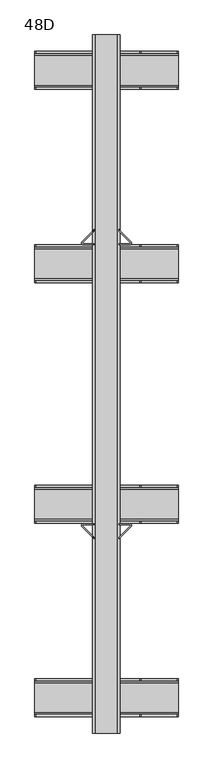
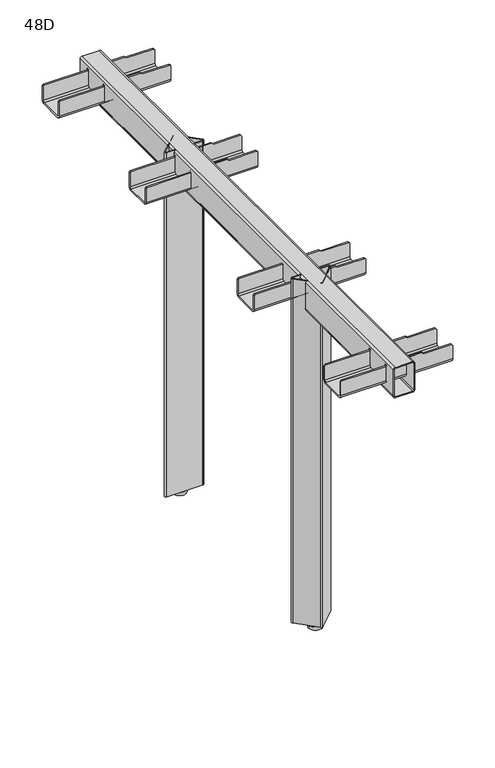
"""IFC4 building model written with IfcOpenShell, lengths in millimetres: furniture geometry, 48D."""

import ifcopenshell
import ifcopenshell.guid

model = None  # the IFC model being written
_history = None  # IfcOwnerHistory: only IFC2X3 demands one
_inside = {}  # id of a spatial element -> (the spatial element, [elements in it])
_under = {}  # id of a project, library or spatial element -> (it, [spatial elements below it])
_declared = {}  # id of a project -> (the project, [libraries it declares])
_typed = {}  # id of a type object -> (the type object, [elements of that type])
_made_of = {}  # id of a material, layer set ... -> (it, [elements and type objects made of it])


def new_model(schema):
    """Start an empty IFC model of exactly this schema.

    Asked for "IFC4X3", IfcOpenShell would pick the latest addendum, in which some entities
    have other attributes; the version numbers below select the first issue.
    IFC2X3 requires an IfcOwnerHistory on every rooted entity: one is made here for all.
    """
    global model, _history
    if schema == "IFC4X3":
        model = ifcopenshell.file(schema_version=(4, 3, 0, 0))
    else:
        model = ifcopenshell.file(schema=schema)
    _inside.clear()
    _under.clear()
    _declared.clear()
    _typed.clear()
    _made_of.clear()
    _history = None
    if model.schema == "IFC2X3":
        org = make("IfcOrganization", Name="unknown")
        user = make(
            "IfcPersonAndOrganization",
            ThePerson=make("IfcPerson", FamilyName="unknown"),
            TheOrganization=org,
        )
        app = make(
            "IfcApplication",
            ApplicationDeveloper=org,
            Version="unknown",
            ApplicationFullName="unknown",
            ApplicationIdentifier="unknown",
        )
        _history = make(
            "IfcOwnerHistory",
            OwningUser=user,
            OwningApplication=app,
            ChangeAction="ADDED",
            CreationDate=0,
        )
    return model


def make(cls, **values):
    """One entity of the class cls with the attributes given. An attribute that is None is left unset."""
    return model.create_entity(
        cls, **{name: value for name, value in values.items() if value is not None}
    )


def rooted(cls, **values):
    """An entity with a GlobalId (a new one), such as an element, a storey or a relation."""
    return make(cls, GlobalId=ifcopenshell.guid.new(), OwnerHistory=_history, **values)


def si_unit(unit_type, name, prefix=None):
    """IfcSIUnit, for example si_unit("LENGTHUNIT", "METRE", prefix="MILLI")."""
    return make("IfcSIUnit", UnitType=unit_type, Prefix=prefix, Name=name)


def assignment(units):
    """IfcUnitAssignment: the units of a project."""
    return None if units is None else make("IfcUnitAssignment", Units=units)


def point(xyz):
    """IfcCartesianPoint."""
    return None if xyz is None else make("IfcCartesianPoint", Coordinates=xyz)


def direction(xyz):
    """IfcDirection."""
    return None if xyz is None else make("IfcDirection", DirectionRatios=xyz)


def frame(location, z_axis=None, x_axis=None):
    """IfcAxis2Placement3D, a coordinate frame: its origin and axes. An axis left out is left unset."""
    return make(
        "IfcAxis2Placement3D",
        Location=point(location),
        Axis=direction(z_axis),
        RefDirection=direction(x_axis),
    )


def frame_2d(location, x_axis=None):
    """IfcAxis2Placement2D, a coordinate frame in the plane: its origin and x axis."""
    return make(
        "IfcAxis2Placement2D", Location=point(location), RefDirection=direction(x_axis)
    )


def origin():
    """The frame at (0, 0, 0) with its axes left unset."""
    return frame((0.0, 0.0, 0.0))


def origin_with_axes():
    """The frame at (0, 0, 0) with the z axis (0, 0, 1) and the x axis (1, 0, 0) written out."""
    return frame((0.0, 0.0, 0.0), z_axis=(0.0, 0.0, 1.0), x_axis=(1.0, 0.0, 0.0))


def place(relative_to, where):
    """IfcLocalPlacement: puts the frame where relative to a parent placement (None: the world)."""
    return make(
        "IfcLocalPlacement", PlacementRelTo=relative_to, RelativePlacement=where
    )


def context(
    kind, dimensions, precision=None, world=None, true_north=None, identifier=None
):
    """IfcGeometricRepresentationContext, for example the 3D "Model" context."""
    return make(
        "IfcGeometricRepresentationContext",
        ContextIdentifier=identifier,
        ContextType=kind,
        CoordinateSpaceDimension=dimensions,
        Precision=precision,
        WorldCoordinateSystem=world,
        TrueNorth=true_north,
    )


def project(units=None, contexts=None):
    """IfcProject with its units and contexts."""
    return rooted(
        "IfcProject",
        Name="project",
        RepresentationContexts=contexts,
        UnitsInContext=assignment(units),
    )


def spatial(cls, under=None, at=None, **own):
    """A site, building, storey or space (cls), placed at a placement, below another one or the project."""
    s = rooted(cls, ObjectPlacement=at, **own)
    if under is not None:
        _under.setdefault(under.id(), (under, []))[1].append(s)
    return s


def polyline(points):
    """IfcPolyline through the points."""
    return make("IfcPolyline", Points=[point(p) for p in points])


def circle_curve(where, radius):
    """IfcCircle in the frame where."""
    return make("IfcCircle", Position=where, Radius=radius)


def trimmed(basis, trim1, trim2, sense, master):
    """IfcTrimmedCurve: the piece of a basis curve between two trims."""
    return make(
        "IfcTrimmedCurve",
        BasisCurve=basis,
        Trim1=trim1,
        Trim2=trim2,
        SenseAgreement=sense,
        MasterRepresentation=master,
    )


def segment(curve, same_sense, transition):
    """IfcCompositeCurveSegment."""
    return make(
        "IfcCompositeCurveSegment",
        Transition=transition,
        SameSense=same_sense,
        ParentCurve=curve,
    )


def composite_curve(segments, self_intersect=None):
    """IfcCompositeCurve: segments joined end to end."""
    return make("IfcCompositeCurve", Segments=segments, SelfIntersect=self_intersect)


def outline(outer, holes=None, kind="AREA"):
    """IfcArbitraryClosedProfileDef: a profile drawn as a closed curve; with holes, ...WithVoids."""
    if holes is None:
        return make("IfcArbitraryClosedProfileDef", ProfileType=kind, OuterCurve=outer)
    return make(
        "IfcArbitraryProfileDefWithVoids",
        ProfileType=kind,
        OuterCurve=outer,
        InnerCurves=holes,
    )


def extrude(swept, where, along, depth):
    """IfcExtrudedAreaSolid: the profile swept, set in the frame where, extruded along a direction by depth."""
    return make(
        "IfcExtrudedAreaSolid",
        SweptArea=swept,
        Position=where,
        ExtrudedDirection=direction(along),
        Depth=depth,
    )


def shape(context_of_items, identifier, shape_type, items):
    """IfcShapeRepresentation: the items that make up one representation, for example the "Body"."""
    return make(
        "IfcShapeRepresentation",
        ContextOfItems=context_of_items,
        RepresentationIdentifier=identifier,
        RepresentationType=shape_type,
        Items=items,
    )


def source(mapping_origin, context_of_items, identifier, shape_type, items):
    """IfcRepresentationMap: a shape defined once, which mapped items show again and again."""
    return make(
        "IfcRepresentationMap",
        MappingOrigin=mapping_origin,
        MappedRepresentation=shape(context_of_items, identifier, shape_type, items),
    )


def transform(
    local_origin,
    x_axis=None,
    y_axis=None,
    z_axis=None,
    scale=None,
    scale2=None,
    scale3=None,
    uniform=True,
):
    """IfcCartesianTransformationOperator3D, or its non-uniform kind. x_axis, y_axis, z_axis: its Axis1, 2, 3."""
    if uniform:
        return make(
            "IfcCartesianTransformationOperator3D",
            Axis1=direction(x_axis),
            Axis2=direction(y_axis),
            LocalOrigin=point(local_origin),
            Scale=scale,
            Axis3=direction(z_axis),
        )
    return make(
        "IfcCartesianTransformationOperator3DnonUniform",
        Axis1=direction(x_axis),
        Axis2=direction(y_axis),
        LocalOrigin=point(local_origin),
        Scale=scale,
        Axis3=direction(z_axis),
        Scale2=scale2,
        Scale3=scale3,
    )


def mapped(mapping_source, mapping_target):
    """IfcMappedItem: shows the shape of a source again, moved by a transform."""
    return make(
        "IfcMappedItem", MappingSource=mapping_source, MappingTarget=mapping_target
    )


def made_of(thing, what):
    """Note that an element or type object is made of a material, layer set ...; save() writes the relation."""
    if what is not None:
        _made_of.setdefault(what.id(), (what, []))[1].append(thing)
    return thing


def element(
    cls,
    number,
    at=None,
    inside=None,
    cuts=None,
    type_object=None,
    material=None,
    context=None,
    identifier="Body",
    shape_type=None,
    held_by="IfcProductDefinitionShape",
    body=None,
    shapes=None,
    **own,
):
    """One element of the class cls, such as IfcWall. Its Tag is "e" and its number.

    at: its placement. inside: the storey or other place that contains it. cuts: it is an
    opening in that element (IfcRelVoidsElement). A single representation is given by context,
    identifier, shape_type and body (its items); several are given by shapes. held_by: the class
    of the entity that holds the representations. save() writes the other relations.
    """
    e = rooted(cls, Tag="e%d" % number, ObjectPlacement=at, **own)
    if body is not None:
        shapes = [shape(context, identifier, shape_type, body)]
    if shapes is not None:
        e.Representation = make(held_by, Representations=shapes)
    if inside is not None:
        _inside.setdefault(inside.id(), (inside, []))[1].append(e)
    if cuts is not None:
        rooted(
            "IfcRelVoidsElement", RelatingBuildingElement=cuts, RelatedOpeningElement=e
        )
    if type_object is not None:
        _typed.setdefault(type_object.id(), (type_object, []))[1].append(e)
    return made_of(e, material)


def aggregate(whole, parts):
    """IfcRelAggregates: a whole, such as a stair, and the parts it consists of."""
    return rooted("IfcRelAggregates", RelatingObject=whole, RelatedObjects=parts)


def save(model, path):
    """Write the relations noted so far, then the file.

    IfcRelAggregates (storeys below a building ...), IfcRelContainedInSpatialStructure (elements
    in a storey), IfcRelDefinesByType, IfcRelAssociatesMaterial and IfcRelDeclares: one each for
    every whole, place, type object, material and project.
    """
    for whole, parts in _under.values():
        aggregate(whole, parts)
    for where, things in _inside.values():
        rooted(
            "IfcRelContainedInSpatialStructure",
            RelatedElements=things,
            RelatingStructure=where,
        )
    for kind, things in _typed.values():
        rooted("IfcRelDefinesByType", RelatedObjects=things, RelatingType=kind)
    for what, things in _made_of.values():
        rooted("IfcRelAssociatesMaterial", RelatedObjects=things, RelatingMaterial=what)
    for by, libraries in _declared.values():
        rooted("IfcRelDeclares", RelatingContext=by, RelatedDefinitions=libraries)
    model.write(path)


def plane_surface(at):
    """IfcPlane: the flat surface through the origin of the frame at, square to its z axis."""
    return make("IfcPlane", Position=at)


def cylinder_surface(at, radius):
    """IfcCylindricalSurface: all points at the distance radius from the z axis of the frame at."""
    return make("IfcCylindricalSurface", Position=at, Radius=radius)


def revolved_surface(curve, axis_point, axis_direction):
    """IfcSurfaceOfRevolution: the curve turned about the line through axis_point along axis_direction."""
    return make(
        "IfcSurfaceOfRevolution",
        SweptCurve=make("IfcArbitraryOpenProfileDef", ProfileType="CURVE", Curve=curve),
        AxisPosition=make("IfcAxis1Placement", Location=point(axis_point), Axis=direction(axis_direction)),
    )


def advanced_brep(points, edges, surfaces, faces):
    """IfcAdvancedBrep: a solid bounded by faces that lie on surfaces and meet in shared edges.

    An edge is (start, end): straight between two places in points (the first is 0);
    or (start, end, curve); or (start, end, curve, False) where it runs against its curve.
    A face is (place in surfaces, loops), or (place, loops, False) where it looks against
    its surface's normal. A loop lists edges by number (the first is 1), with a minus sign
    where the edge is run from its end to its start. The first loop is the outer one.
    """
    corners = [point(p) for p in points]
    vertices = [make("IfcVertexPoint", VertexGeometry=c) for c in corners]
    made = []
    for start, end, *more in edges:
        made.append(
            make(
                "IfcEdgeCurve",
                EdgeStart=vertices[start],
                EdgeEnd=vertices[end],
                EdgeGeometry=more[0] if more else make("IfcPolyline", Points=[corners[start], corners[end]]),
                SameSense=more[1] if len(more) > 1 else True,
            )
        )
    hull = []
    for where, loops, *sense in faces:
        bounds = []
        for j, loop in enumerate(loops):
            ring = [make("IfcOrientedEdge", EdgeElement=made[abs(k) - 1], Orientation=k > 0) for k in loop]
            bounds.append(
                make(
                    "IfcFaceOuterBound" if j == 0 else "IfcFaceBound",
                    Bound=make("IfcEdgeLoop", EdgeList=ring),
                    Orientation=True,
                )
            )
        hull.append(make("IfcAdvancedFace", Bounds=bounds, FaceSurface=surfaces[where], SameSense=sense[0] if sense else True))
    return make("IfcAdvancedBrep", Outer=make("IfcClosedShell", CfsFaces=hull))


def furniture_48d_f07bbc89(model_context):
    return source(origin(), model_context, "Body", "SolidModel", [
        advanced_brep(
        [(104.5, 428.9920946, 652.15), (104.5, 434.9920946, 646.15), (104.5, 477.9920946, 646.15), (104.5, 483.9920946, 652.15), (104.5, 483.9920946, 679.15), (104.5, 480.9920946, 679.15), (104.5, 480.9920946, 652.15), (104.5, 477.9920946, 649.15), (104.5, 434.9920946, 649.15), (104.5, 431.9920946, 652.15), (104.5, 431.9920946, 679.15), (104.5, 428.9920946, 679.15), (-104.5, 431.9920946, 652.15), (-104.5, 434.9920946, 649.15), (-104.5, 477.9920946, 649.15), (-104.5, 480.9920946, 652.15), (-104.5, 480.9920946, 679.15), (-104.5, 483.9920946, 679.15), (-104.5, 483.9920946, 652.15), (-104.5, 477.9920946, 646.15), (-104.5, 434.9920946, 646.15), (-104.5, 428.9920946, 652.15), (-104.5, 428.9920946, 679.15), (-104.5, 431.9920946, 679.15), (47.9765625, 428.9920946, 684.1539062), (47.9765625, 431.9920946, 684.1539062), (-20.0, 431.9920946, 684.1539062), (-20.0, 428.9920946, 684.1539062), (102.5, 428.9920946, 681.15), (50.0, 428.9920946, 681.15), (50.0, 428.9920946, 682.1304687), (-20.0, 428.9920946, 681.15), (-102.5, 428.9920946, 681.15), (-102.5, 483.9920946, 681.15), (-20.0, 483.9920946, 681.15), (-20.0, 483.9920946, 684.1539063), (47.9765625, 483.9920946, 684.1539063), (50.0, 483.9920946, 682.1304687), (50.0, 483.9920946, 681.15), (102.5, 483.9920946, 681.15), (47.9765625, 480.9920946, 684.1539063), (-20.0, 480.9920946, 684.1539063), (102.5, 480.9920946, 681.15), (50.0, 480.9920946, 681.15), (50.0, 480.9920946, 682.1304687), (-20.0, 480.9920946, 681.15), (-102.5, 480.9920946, 681.15), (-102.5, 431.9920946, 681.15), (-20.0, 431.9920946, 681.15), (50.0, 431.9920946, 682.1304687), (50.0, 431.9920946, 681.15), (102.5, 431.9920946, 681.15)],
        [
            (0, 1, circle_curve(frame((104.5, 434.9920946, 652.15), z_axis=(1.0, 0.0, 0.0), x_axis=(0.0, 1.0, 0.0)), 6.0)),
            (1, 2),
            (2, 3, circle_curve(frame((104.5, 477.9920946, 652.15), z_axis=(1.0, 0.0, 0.0), x_axis=(0.0, 1.0, 0.0)), 6.0)),
            (3, 4),
            (4, 5),
            (5, 6),
            (6, 7, circle_curve(frame((104.5, 477.9920946, 652.15), z_axis=(-1.0, 0.0, 0.0), x_axis=(0.0, 1.0, 0.0)), 3.0)),
            (7, 8),
            (8, 9, circle_curve(frame((104.5, 434.9920946, 652.15), z_axis=(-1.0, 0.0, 0.0), x_axis=(0.0, 1.0, 0.0)), 3.0)),
            (9, 10),
            (10, 11),
            (11, 0),
            (12, 13, circle_curve(frame((-104.5, 434.9920946, 652.15), z_axis=(1.0, 0.0, 0.0), x_axis=(0.0, 1.0, 0.0)), 3.0)),
            (13, 14),
            (14, 15, circle_curve(frame((-104.5, 477.9920946, 652.15), z_axis=(1.0, 0.0, 0.0), x_axis=(0.0, 1.0, 0.0)), 3.0)),
            (15, 16),
            (16, 17),
            (17, 18),
            (18, 19, circle_curve(frame((-104.5, 477.9920946, 652.15), z_axis=(-1.0, 0.0, 0.0), x_axis=(0.0, 1.0, 0.0)), 6.0)),
            (19, 20),
            (20, 21, circle_curve(frame((-104.5, 434.9920946, 652.15), z_axis=(-1.0, 0.0, 0.0), x_axis=(0.0, 1.0, 0.0)), 6.0)),
            (21, 22),
            (22, 23),
            (23, 12),
            (24, 25),
            (25, 26),
            (26, 27),
            (27, 24),
            (21, 0),
            (11, 28),
            (28, 29),
            (29, 30),
            (30, 24),
            (27, 31),
            (31, 32),
            (32, 22),
            (20, 1),
            (19, 2),
            (18, 3),
            (17, 33),
            (33, 34),
            (34, 35),
            (35, 36),
            (36, 37),
            (37, 38),
            (38, 39),
            (39, 4),
            (40, 36),
            (35, 41),
            (41, 40),
            (15, 6),
            (5, 42),
            (42, 43),
            (43, 44),
            (44, 40),
            (41, 45),
            (45, 46),
            (46, 16),
            (14, 7),
            (13, 8),
            (12, 9),
            (23, 47),
            (47, 48),
            (48, 26),
            (25, 49),
            (49, 50),
            (50, 51),
            (51, 10),
            (42, 39),
            (38, 43),
            (28, 51),
            (50, 29),
            (37, 44),
            (49, 30),
            (33, 46),
            (45, 34),
            (47, 32),
            (31, 48),
        ],
        [
            plane_surface(frame((104.5, 428.9920946, 684.1539062), z_axis=(1.0, 0.0, 0.0), x_axis=(0.0, -1.0, 0.0))),
            plane_surface(frame((-104.5, 428.9920946, 684.1539062), z_axis=(-1.0, 0.0, 0.0), x_axis=(0.0, 1.0, 0.0))),
            plane_surface(frame((104.5, 431.9920946, 684.1539062), z_axis=(0.0, 0.0, 1.0), x_axis=(-1.0, 0.0, 0.0))),
            plane_surface(frame((104.5, 428.9920946, 684.1539062), z_axis=(0.0, -1.0, 7.87520505701634e-12), x_axis=(-1.0, 0.0, 0.0))),
            cylinder_surface(frame((-104.5, 434.9920946, 652.15), z_axis=(1.0, 0.0, 0.0), x_axis=(0.0, 1.0, 0.0)), 6.0),
            plane_surface(frame((104.5, 434.9920946, 646.15), z_axis=(0.0, 5.9274383850840695e-12, -1.0), x_axis=(-1.0, 0.0, 0.0))),
            cylinder_surface(frame((-104.5, 477.9920946, 652.15), z_axis=(1.0, 0.0, 0.0), x_axis=(0.0, 1.0, 0.0)), 6.0),
            plane_surface(frame((104.5, 483.9920946, 652.15), z_axis=(0.0, 1.0, 0.0), x_axis=(-1.0, 0.0, 0.0))),
            plane_surface(frame((104.5, 483.9920946, 684.1539063), z_axis=(0.0, 0.0, 1.0), x_axis=(-1.0, 0.0, 0.0))),
            plane_surface(frame((104.5, 480.9920946, 684.1539063), z_axis=(0.0, -1.0, 7.890008074041474e-12), x_axis=(-1.0, 0.0, 0.0))),
            revolved_surface(polyline([(-104.5, 480.9920946, 652.15), (104.5, 480.9920946, 652.15)]), (-104.5, 477.9920946, 652.15), (-1.0, 0.0, 0.0)),
            plane_surface(frame((104.5, 477.9920946, 649.15), z_axis=(0.0, -5.870776732969617e-12, 1.0), x_axis=(-1.0, 0.0, 0.0))),
            revolved_surface(polyline([(-104.5, 437.9920946, 652.15), (104.5, 437.9920946, 652.15)]), (-104.5, 434.9920946, 652.15), (-1.0, 0.0, 0.0)),
            plane_surface(frame((104.5, 431.9920946, 652.15), z_axis=(0.0, 1.0, 0.0), x_axis=(-1.0, 0.0, 0.0))),
            plane_surface(frame((102.5, 483.9920946, 681.15), z_axis=(0.0, 0.0, 1.0), x_axis=(0.0, -1.0, 0.0))),
            plane_surface(frame((50.0, 483.9920946, 681.15), z_axis=(1.0, 0.0, 0.0), x_axis=(0.0, -1.0, 0.0))),
            plane_surface(frame((50.0, 483.9920946, 682.1304687), z_axis=(0.7071067811865623, 0.0, 0.7071067811865328), x_axis=(0.0, -1.0, 0.0))),
            plane_surface(frame((104.5, 483.9920946, 679.15), z_axis=(0.7071067811865416, 0.0, 0.7071067811865536), x_axis=(0.0, -1.0, 0.0))),
            plane_surface(frame((-102.5, -483.9918, 681.15), z_axis=(0.0, 0.0, 1.0), x_axis=(0.0, 1.0, 0.0))),
            plane_surface(frame((-104.5, -483.9918, 679.15), z_axis=(-0.7071067811865057, 0.0, 0.7071067811865894), x_axis=(0.0, 1.0, 0.0))),
            plane_surface(frame((-20.0, -483.9918, 681.15), z_axis=(-1.0, 0.0, 0.0), x_axis=(0.0, 1.0, 0.0))),
        ],
        [
            (0, [[1, 2, 3, 4, 5, 6, 7, 8, 9, 10, 11, 12]]),
            (1, [[13, 14, 15, 16, 17, 18, 19, 20, 21, 22, 23, 24]]),
            (2, [[25, 26, 27, 28]]),
            (3, [[29, -12, 30, 31, 32, 33, -28, 34, 35, 36, -22]]),
            (4, [[-1, -29, -21, 37]]),
            (5, [[-2, -37, -20, 38]]),
            (6, [[-3, -38, -19, 39]]),
            (7, [[-39, -18, 40, 41, 42, 43, 44, 45, 46, 47, -4]]),
            (8, [[48, -43, 49, 50]]),
            (9, [[51, -6, 52, 53, 54, 55, -50, 56, 57, 58, -16]]),
            (10, [[-7, -51, -15, 59]]),
            (11, [[-8, -59, -14, 60]]),
            (12, [[-9, -60, -13, 61]]),
            (13, [[-61, -24, 62, 63, 64, -26, 65, 66, 67, 68, -10]]),
            (14, [[69, -46, 70, -53]]),
            (14, [[71, -67, 72, -31]]),
            (15, [[-70, -45, 73, -54]]),
            (15, [[-72, -66, 74, -32]]),
            (16, [[-73, -44, -48, -55]]),
            (16, [[-74, -65, -25, -33]]),
            (17, [[-69, -52, -5, -47]]),
            (17, [[-71, -30, -11, -68]]),
            (18, [[75, -57, 76, -41]]),
            (18, [[77, -35, 78, -63]]),
            (19, [[-75, -40, -17, -58]]),
            (19, [[-77, -62, -23, -36]]),
            (20, [[-76, -56, -49, -42]]),
            (20, [[-78, -34, -27, -64]]),
        ],
    ),
        advanced_brep(
        [(104.5, -483.9918, 652.4753443), (104.5, -477.6664557, 646.15), (104.5, -434.9918, 646.15), (104.5, -428.9918, 652.15), (104.5, -428.9918, 679.15), (104.5, -431.9918, 679.15), (104.5, -431.9918, 651.8246557), (104.5, -434.6664557, 649.15), (104.5, -477.6664557, 649.15), (104.5, -480.9918, 652.4753443), (104.5, -480.9918, 679.15), (104.5, -483.9918, 679.15), (-104.5, -480.9918, 652.4753443), (-104.5, -477.6664557, 649.15), (-104.5, -434.6664557, 649.15), (-104.5, -431.9918, 651.8246557), (-104.5, -431.9918, 679.15), (-104.5, -428.9918, 679.15), (-104.5, -428.9918, 652.15), (-104.5, -434.9918, 646.15), (-104.5, -477.6664557, 646.15), (-104.5, -483.9918, 652.4753443), (-104.5, -483.9918, 679.15), (-104.5, -480.9918, 679.15), (-20.0, -480.9918, 684.1539062), (-20.0, -483.9918, 684.1539062), (47.9765625, -483.9918, 684.1539062), (47.9765625, -480.9918, 684.1539062), (102.5, -483.9918, 681.15), (50.0, -483.9918, 681.15), (50.0, -483.9918, 682.1304688), (-20.0, -483.9918, 681.15), (-102.5, -483.9918, 681.15), (-102.5, -428.9918, 681.15), (-20.0, -428.9918, 681.15), (-20.0, -428.9918, 684.1539063), (47.9765625, -428.9918, 684.1539063), (50.0, -428.9918, 682.1304688), (50.0, -428.9918, 681.15), (102.5, -428.9918, 681.15), (-20.0, -431.9918, 684.1539063), (47.9765625, -431.9918, 684.1539063), (102.5, -431.9918, 681.15), (50.0, -431.9918, 681.15), (50.0, -431.9918, 682.1304688), (-20.0, -431.9918, 681.15), (-102.5, -431.9918, 681.15), (-102.5, -480.9918, 681.15), (-20.0, -480.9918, 681.15), (50.0, -480.9918, 682.1304688), (50.0, -480.9918, 681.15), (102.5, -480.9918, 681.15)],
        [
            (0, 1, circle_curve(frame((104.5, -477.6664557, 652.4753443), z_axis=(1.0, 0.0, 0.0), x_axis=(0.0, 1.0, 0.0)), 6.3253443)),
            (1, 2),
            (2, 3, circle_curve(frame((104.5, -434.9918, 652.15), z_axis=(1.0, 0.0, 0.0), x_axis=(0.0, 1.0, 0.0)), 6.0)),
            (3, 4),
            (4, 5),
            (5, 6),
            (6, 7, circle_curve(frame((104.5, -434.6664557, 651.8246557), z_axis=(-1.0, 0.0, 0.0), x_axis=(0.0, 1.0, 0.0)), 2.6746557)),
            (7, 8),
            (8, 9, circle_curve(frame((104.5, -477.6664557, 652.4753443), z_axis=(-1.0, 0.0, 0.0), x_axis=(0.0, 1.0, 0.0)), 3.3253443)),
            (9, 10),
            (10, 11),
            (11, 0),
            (12, 13, circle_curve(frame((-104.5, -477.6664557, 652.4753443), z_axis=(1.0, 0.0, 0.0), x_axis=(0.0, 1.0, 0.0)), 3.3253443)),
            (13, 14),
            (14, 15, circle_curve(frame((-104.5, -434.6664557, 651.8246557), z_axis=(1.0, 0.0, 0.0), x_axis=(0.0, 1.0, 0.0)), 2.6746557)),
            (15, 16),
            (16, 17),
            (17, 18),
            (18, 19, circle_curve(frame((-104.5, -434.9918, 652.15), z_axis=(-1.0, 0.0, 0.0), x_axis=(0.0, 1.0, 0.0)), 6.0)),
            (19, 20),
            (20, 21, circle_curve(frame((-104.5, -477.6664557, 652.4753443), z_axis=(-1.0, 0.0, 0.0), x_axis=(0.0, 1.0, 0.0)), 6.3253443)),
            (21, 22),
            (22, 23),
            (23, 12),
            (24, 25),
            (25, 26),
            (26, 27),
            (27, 24),
            (21, 0),
            (11, 28),
            (28, 29),
            (29, 30),
            (30, 26),
            (25, 31),
            (31, 32),
            (32, 22),
            (20, 1),
            (19, 2),
            (18, 3),
            (17, 33),
            (33, 34),
            (34, 35),
            (35, 36),
            (36, 37),
            (37, 38),
            (38, 39),
            (39, 4),
            (35, 40),
            (40, 41),
            (41, 36),
            (15, 6),
            (5, 42),
            (42, 43),
            (43, 44),
            (44, 41),
            (40, 45),
            (45, 46),
            (46, 16),
            (14, 7),
            (13, 8),
            (12, 9),
            (23, 47),
            (47, 48),
            (48, 24),
            (27, 49),
            (49, 50),
            (50, 51),
            (51, 10),
            (33, 46),
            (45, 34),
            (47, 32),
            (31, 48),
            (42, 39),
            (38, 43),
            (28, 51),
            (50, 29),
            (37, 44),
            (49, 30),
        ],
        [
            plane_surface(frame((104.5, -483.9918, 684.1539062), z_axis=(1.0, 0.0, 0.0), x_axis=(0.0, -1.0, 0.0))),
            plane_surface(frame((-104.5, -483.9918, 684.1539062), z_axis=(-1.0, 0.0, 0.0), x_axis=(0.0, 1.0, 0.0))),
            plane_surface(frame((104.5, -480.9918, 684.1539062), z_axis=(0.0, 0.0, 1.0), x_axis=(-1.0, 0.0, 0.0))),
            plane_surface(frame((104.5, -483.9918, 684.1539062), z_axis=(0.0, -1.0, 0.0), x_axis=(-1.0, 0.0, 0.0))),
            cylinder_surface(frame((-104.5, -477.6664557, 652.4753443), z_axis=(1.0, 0.0, 0.0), x_axis=(0.0, 1.0, 0.0)), 6.3253443),
            plane_surface(frame((104.5, -477.6664557, 646.15), z_axis=(0.0, 2.9942437519374595e-12, -1.0), x_axis=(-1.0, 0.0, 0.0))),
            cylinder_surface(frame((-104.5, -434.9918, 652.15), z_axis=(1.0, 0.0, 0.0), x_axis=(0.0, 1.0, 0.0)), 6.0),
            plane_surface(frame((104.5, -428.9918, 652.15), z_axis=(0.0, 1.0, 0.0), x_axis=(-1.0, 0.0, 0.0))),
            plane_surface(frame((104.5, -428.9918, 684.1539063), z_axis=(0.0, 0.0, 1.0), x_axis=(-1.0, 0.0, 0.0))),
            plane_surface(frame((104.5, -431.9918, 684.1539063), z_axis=(0.0, -1.0, 3.950312486969115e-12), x_axis=(-1.0, 0.0, 0.0))),
            revolved_surface(polyline([(-104.5, -431.99179999999996, 651.8246557), (104.5, -431.99179999999996, 651.8246557)]), (-104.5, -434.6664557, 651.8246557), (-1.0, 0.0, 0.0)),
            plane_surface(frame((104.5, -434.6664557, 649.15), z_axis=(0.0, 0.0, 1.0), x_axis=(-1.0, 0.0, 0.0))),
            revolved_surface(polyline([(-104.5, -474.3411114, 652.4753443), (104.5, -474.3411114, 652.4753443)]), (-104.5, -477.6664557, 652.4753443), (-1.0, 0.0, 0.0)),
            plane_surface(frame((104.5, -480.9918, 652.4753443), z_axis=(0.0, 1.0, 0.0), x_axis=(-1.0, 0.0, 0.0))),
            plane_surface(frame((-102.5, -483.9918, 681.15), z_axis=(0.0, 0.0, 1.0), x_axis=(0.0, 1.0, 0.0))),
            plane_surface(frame((-104.5, -483.9918, 679.15), z_axis=(-0.7071067811865057, 0.0, 0.7071067811865894), x_axis=(0.0, 1.0, 0.0))),
            plane_surface(frame((-20.0, -483.9918, 681.15), z_axis=(-1.0, 0.0, 0.0), x_axis=(0.0, 1.0, 0.0))),
            plane_surface(frame((102.5, 483.9920946, 681.15), z_axis=(0.0, 0.0, 1.0), x_axis=(0.0, -1.0, 0.0))),
            plane_surface(frame((50.0, 483.9920946, 681.15), z_axis=(1.0, 0.0, 0.0), x_axis=(0.0, -1.0, 0.0))),
            plane_surface(frame((50.0, 483.9920946, 682.1304687), z_axis=(0.7071067811865623, 0.0, 0.7071067811865328), x_axis=(0.0, -1.0, 0.0))),
            plane_surface(frame((104.5, 483.9920946, 679.15), z_axis=(0.7071067811865416, 0.0, 0.7071067811865536), x_axis=(0.0, -1.0, 0.0))),
        ],
        [
            (0, [[1, 2, 3, 4, 5, 6, 7, 8, 9, 10, 11, 12]]),
            (1, [[13, 14, 15, 16, 17, 18, 19, 20, 21, 22, 23, 24]]),
            (2, [[25, 26, 27, 28]]),
            (3, [[29, -12, 30, 31, 32, 33, -26, 34, 35, 36, -22]]),
            (4, [[-1, -29, -21, 37]]),
            (5, [[-2, -37, -20, 38]]),
            (6, [[-3, -38, -19, 39]]),
            (7, [[-39, -18, 40, 41, 42, 43, 44, 45, 46, 47, -4]]),
            (8, [[48, 49, 50, -43]]),
            (9, [[51, -6, 52, 53, 54, 55, -49, 56, 57, 58, -16]]),
            (10, [[-7, -51, -15, 59]]),
            (11, [[-8, -59, -14, 60]]),
            (12, [[-9, -60, -13, 61]]),
            (13, [[-61, -24, 62, 63, 64, -28, 65, 66, 67, 68, -10]]),
            (14, [[69, -57, 70, -41]]),
            (14, [[71, -35, 72, -63]]),
            (15, [[-69, -40, -17, -58]]),
            (15, [[-71, -62, -23, -36]]),
            (16, [[-70, -56, -48, -42]]),
            (16, [[-72, -34, -25, -64]]),
            (17, [[73, -46, 74, -53]]),
            (17, [[75, -67, 76, -31]]),
            (18, [[-74, -45, 77, -54]]),
            (18, [[-76, -66, 78, -32]]),
            (19, [[-77, -44, -50, -55]]),
            (19, [[-78, -65, -27, -33]]),
            (20, [[-73, -52, -5, -47]]),
            (20, [[-75, -30, -11, -68]]),
        ],
    ),
        extrude(outline(composite_curve([segment(polyline([(688.15, -20.0), (636.15, -20.0)]), True, "CONTINUOUS"), segment(trimmed(circle_curve(frame_2d((636.15, -16.0)), 4.0), [point((636.15, -20.0))], [point((632.15, -16.0))], False, "CARTESIAN"), True, "CONTINUOUS"), segment(polyline([(632.15, -16.0), (632.15, 16.0)]), True, "CONTINUOUS"), segment(trimmed(circle_curve(frame_2d((636.15, 16.0)), 4.0), [point((632.15, 16.0))], [point((636.15, 20.0))], False, "CARTESIAN"), True, "CONTINUOUS"), segment(polyline([(636.15, 20.0), (688.15, 20.0)]), True, "CONTINUOUS"), segment(trimmed(circle_curve(frame_2d((688.15, 16.0)), 4.0), [point((688.15, 20.0))], [point((692.15, 16.0))], False, "CARTESIAN"), True, "CONTINUOUS"), segment(polyline([(692.15, 16.0), (692.15, -16.0)]), True, "CONTINUOUS"), segment(trimmed(circle_curve(frame_2d((688.15, -16.0)), 4.0), [point((692.15, -16.0))], [point((688.15, -20.0))], False, "CARTESIAN"), True, "CONTINUOUS")], self_intersect=False), holes=[composite_curve([segment(polyline([(636.15, -18.0), (688.15, -18.0)]), True, "CONTINUOUS"), segment(trimmed(circle_curve(frame_2d((688.15, -16.0)), 2.0), [point((688.15, -18.0))], [point((690.15, -16.0))], True, "CARTESIAN"), True, "CONTINUOUS"), segment(polyline([(690.15, -16.0), (690.15, 16.0)]), True, "CONTINUOUS"), segment(trimmed(circle_curve(frame_2d((688.15, 16.0)), 2.0), [point((690.15, 16.0))], [point((688.15, 18.0))], True, "CARTESIAN"), True, "CONTINUOUS"), segment(polyline([(688.15, 18.0), (636.15, 18.0)]), True, "CONTINUOUS"), segment(trimmed(circle_curve(frame_2d((636.15, 16.0)), 2.0), [point((636.15, 18.0))], [point((634.15, 16.0))], True, "CARTESIAN"), True, "CONTINUOUS"), segment(polyline([(634.15, 16.0), (634.15, -16.0)]), True, "CONTINUOUS"), segment(trimmed(circle_curve(frame_2d((636.15, -16.0)), 2.0), [point((634.15, -16.0))], [point((636.15, -18.0))], True, "CARTESIAN"), True, "CONTINUOUS")], self_intersect=False)]), frame((0.0, -507.944, 0.0), z_axis=(0.0, 1.0, 0.0), x_axis=(0.0, 0.0, 1.0)), (0.0, 0.0, 1.0), 1015.8882946),
        advanced_brep(
        [(104.5, -202.5, 652.15), (104.5, -196.5, 646.15), (104.5, -153.5, 646.15), (104.5, -147.5, 652.15), (104.5, -147.5, 679.15), (104.5, -150.5, 679.15), (104.5, -150.5, 652.15), (104.5, -153.5, 649.15), (104.5, -196.5, 649.15), (104.5, -199.5, 652.15), (104.5, -199.5, 679.15), (104.5, -202.5, 679.15), (-104.5, -199.5, 652.15), (-104.5, -196.5, 649.15), (-104.5, -153.5, 649.15), (-104.5, -150.5, 652.15), (-104.5, -150.5, 679.15), (-104.5, -147.5, 679.15), (-104.5, -147.5, 652.15), (-104.5, -153.5, 646.15), (-104.5, -196.5, 646.15), (-104.5, -202.5, 652.15), (-104.5, -202.5, 679.15), (-104.5, -199.5, 679.15), (47.9765625, -202.5, 684.1539063), (47.9765625, -199.5, 684.1539063), (-20.0, -199.5, 684.1539063), (-20.0, -202.5, 684.1539063), (102.5, -202.5, 681.15), (50.0, -202.5, 681.15), (50.0, -202.5, 682.1304688), (-20.0, -202.5, 681.15), (-102.5, -202.5, 681.15), (-102.5, -147.5, 681.15), (-20.0, -147.5, 681.15), (-20.0, -147.5, 684.1539062), (47.9765625, -147.5, 684.1539062), (50.0, -147.5, 682.1304688), (50.0, -147.5, 681.15), (102.5, -147.5, 681.15), (47.9765625, -150.5, 684.1539062), (-20.0, -150.5, 684.1539062), (102.5, -150.5, 681.15), (50.0, -150.5, 681.15), (50.0, -150.5, 682.1304688), (-20.0, -150.5, 681.15), (-102.5, -150.5, 681.15), (-102.5, -199.5, 681.15), (-20.0, -199.5, 681.15), (50.0, -199.5, 682.1304688), (50.0, -199.5, 681.15), (102.5, -199.5, 681.15)],
        [
            (0, 1, circle_curve(frame((104.5, -196.5, 652.15), z_axis=(1.0, 0.0, 0.0), x_axis=(0.0, 1.0, 0.0)), 6.0)),
            (1, 2),
            (2, 3, circle_curve(frame((104.5, -153.5, 652.15), z_axis=(1.0, 0.0, 0.0), x_axis=(0.0, 1.0, 0.0)), 6.0)),
            (3, 4),
            (4, 5),
            (5, 6),
            (6, 7, circle_curve(frame((104.5, -153.5, 652.15), z_axis=(-1.0, 0.0, 0.0), x_axis=(0.0, 1.0, 0.0)), 3.0)),
            (7, 8),
            (8, 9, circle_curve(frame((104.5, -196.5, 652.15), z_axis=(-1.0, 0.0, 0.0), x_axis=(0.0, 1.0, 0.0)), 3.0)),
            (9, 10),
            (10, 11),
            (11, 0),
            (12, 13, circle_curve(frame((-104.5, -196.5, 652.15), z_axis=(1.0, 0.0, 0.0), x_axis=(0.0, 1.0, 0.0)), 3.0)),
            (13, 14),
            (14, 15, circle_curve(frame((-104.5, -153.5, 652.15), z_axis=(1.0, 0.0, 0.0), x_axis=(0.0, 1.0, 0.0)), 3.0)),
            (15, 16),
            (16, 17),
            (17, 18),
            (18, 19, circle_curve(frame((-104.5, -153.5, 652.15), z_axis=(-1.0, 0.0, 0.0), x_axis=(0.0, 1.0, 0.0)), 6.0)),
            (19, 20),
            (20, 21, circle_curve(frame((-104.5, -196.5, 652.15), z_axis=(-1.0, 0.0, 0.0), x_axis=(0.0, 1.0, 0.0)), 6.0)),
            (21, 22),
            (22, 23),
            (23, 12),
            (24, 25),
            (25, 26),
            (26, 27),
            (27, 24),
            (21, 0),
            (11, 28),
            (28, 29),
            (29, 30),
            (30, 24),
            (27, 31),
            (31, 32),
            (32, 22),
            (20, 1),
            (19, 2),
            (18, 3),
            (17, 33),
            (33, 34),
            (34, 35),
            (35, 36),
            (36, 37),
            (37, 38),
            (38, 39),
            (39, 4),
            (40, 36),
            (35, 41),
            (41, 40),
            (15, 6),
            (5, 42),
            (42, 43),
            (43, 44),
            (44, 40),
            (41, 45),
            (45, 46),
            (46, 16),
            (14, 7),
            (13, 8),
            (12, 9),
            (23, 47),
            (47, 48),
            (48, 26),
            (25, 49),
            (49, 50),
            (50, 51),
            (51, 10),
            (42, 39),
            (38, 43),
            (28, 51),
            (50, 29),
            (37, 44),
            (49, 30),
            (33, 46),
            (45, 34),
            (47, 32),
            (31, 48),
        ],
        [
            plane_surface(frame((104.5, -202.5, 684.1539063), z_axis=(1.0, 0.0, 0.0), x_axis=(0.0, -1.0, 0.0))),
            plane_surface(frame((-104.5, -202.5, 684.1539063), z_axis=(-1.0, 0.0, 0.0), x_axis=(0.0, 1.0, 0.0))),
            plane_surface(frame((104.5, -199.5, 684.1539063), z_axis=(0.0, 0.0, 1.0), x_axis=(-1.0, 0.0, 0.0))),
            plane_surface(frame((104.5, -202.5, 684.1539063), z_axis=(0.0, -1.0, -5.978304161168426e-12), x_axis=(-1.0, 0.0, 0.0))),
            cylinder_surface(frame((-104.5, -196.5, 652.15), z_axis=(1.0, 0.0, 0.0), x_axis=(0.0, 1.0, 0.0)), 6.0),
            plane_surface(frame((104.5, -196.5, 646.15), z_axis=(0.0, -4.394425908431922e-12, -1.0), x_axis=(-1.0, 0.0, 0.0))),
            cylinder_surface(frame((-104.5, -153.5, 652.15), z_axis=(1.0, 0.0, 0.0), x_axis=(0.0, 1.0, 0.0)), 6.0),
            plane_surface(frame((104.5, -147.5, 652.15), z_axis=(0.0, 1.0, 0.0), x_axis=(-1.0, 0.0, 0.0))),
            plane_surface(frame((104.5, -147.5, 684.1539062), z_axis=(0.0, 0.0, 1.0), x_axis=(-1.0, 0.0, 0.0))),
            plane_surface(frame((104.5, -150.5, 684.1539062), z_axis=(0.0, -1.0, -5.9709026526534636e-12), x_axis=(-1.0, 0.0, 0.0))),
            revolved_surface(polyline([(-104.5, -150.5, 652.15), (104.5, -150.5, 652.15)]), (-104.5, -153.5, 652.15), (-1.0, 0.0, 0.0)),
            plane_surface(frame((104.5, -153.5, 649.15), z_axis=(0.0, 4.438496082298718e-12, 1.0), x_axis=(-1.0, 0.0, 0.0))),
            revolved_surface(polyline([(-104.5, -193.5, 652.15), (104.5, -193.5, 652.15)]), (-104.5, -196.5, 652.15), (-1.0, 0.0, 0.0)),
            plane_surface(frame((104.5, -199.5, 652.15), z_axis=(0.0, 1.0, 0.0), x_axis=(-1.0, 0.0, 0.0))),
            plane_surface(frame((102.5, 483.9920946, 681.15), z_axis=(0.0, 0.0, 1.0), x_axis=(0.0, -1.0, 0.0))),
            plane_surface(frame((50.0, 483.9920946, 681.15), z_axis=(1.0, 0.0, 0.0), x_axis=(0.0, -1.0, 0.0))),
            plane_surface(frame((50.0, 483.9920946, 682.1304687), z_axis=(0.7071067811865623, 0.0, 0.7071067811865328), x_axis=(0.0, -1.0, 0.0))),
            plane_surface(frame((104.5, 483.9920946, 679.15), z_axis=(0.7071067811865416, 0.0, 0.7071067811865536), x_axis=(0.0, -1.0, 0.0))),
            plane_surface(frame((-102.5, -483.9918, 681.15), z_axis=(0.0, 0.0, 1.0), x_axis=(0.0, 1.0, 0.0))),
            plane_surface(frame((-104.5, -483.9918, 679.15), z_axis=(-0.7071067811865057, 0.0, 0.7071067811865894), x_axis=(0.0, 1.0, 0.0))),
            plane_surface(frame((-20.0, -483.9918, 681.15), z_axis=(-1.0, 0.0, 0.0), x_axis=(0.0, 1.0, 0.0))),
        ],
        [
            (0, [[1, 2, 3, 4, 5, 6, 7, 8, 9, 10, 11, 12]]),
            (1, [[13, 14, 15, 16, 17, 18, 19, 20, 21, 22, 23, 24]]),
            (2, [[25, 26, 27, 28]]),
            (3, [[29, -12, 30, 31, 32, 33, -28, 34, 35, 36, -22]]),
            (4, [[-1, -29, -21, 37]]),
            (5, [[-2, -37, -20, 38]]),
            (6, [[-3, -38, -19, 39]]),
            (7, [[-39, -18, 40, 41, 42, 43, 44, 45, 46, 47, -4]]),
            (8, [[48, -43, 49, 50]]),
            (9, [[51, -6, 52, 53, 54, 55, -50, 56, 57, 58, -16]]),
            (10, [[-7, -51, -15, 59]]),
            (11, [[-8, -59, -14, 60]]),
            (12, [[-9, -60, -13, 61]]),
            (13, [[-61, -24, 62, 63, 64, -26, 65, 66, 67, 68, -10]]),
            (14, [[69, -46, 70, -53]]),
            (14, [[71, -67, 72, -31]]),
            (15, [[-70, -45, 73, -54]]),
            (15, [[-72, -66, 74, -32]]),
            (16, [[-73, -44, -48, -55]]),
            (16, [[-74, -65, -25, -33]]),
            (17, [[-69, -52, -5, -47]]),
            (17, [[-71, -30, -11, -68]]),
            (18, [[75, -57, 76, -41]]),
            (18, [[77, -35, 78, -63]]),
            (19, [[-75, -40, -17, -58]]),
            (19, [[-77, -62, -23, -36]]),
            (20, [[-76, -56, -49, -42]]),
            (20, [[-78, -34, -27, -64]]),
        ],
    ),
        extrude(outline(composite_curve([segment(trimmed(circle_curve(frame_2d((33.6918973, 205.278606)), 2.6789062), [point((35.58617, 207.1728788))], [point((33.6918973, 202.5996997))], False, "CARTESIAN"), True, "CONTINUOUS"), segment(polyline([(33.6918973, 202.5996997), (-33.6926099, 202.5996997)]), True, "CONTINUOUS"), segment(trimmed(circle_curve(frame_2d((-33.6926099, 205.278606)), 2.6789063), [point((-33.6926099, 202.5996997))], [point((-35.5868827, 207.1728788))], False, "CARTESIAN"), True, "CONTINUOUS"), segment(polyline([(-35.5868827, 207.1728788), (-1.8946291, 240.8651323)]), True, "CONTINUOUS"), segment(trimmed(circle_curve(frame_2d((-0.0003563, 238.9708596)), 2.6789063), [point((-1.8946291, 240.8651323))], [point((1.8939165, 240.8651323))], False, "CARTESIAN"), True, "CONTINUOUS"), segment(polyline([(1.8939165, 240.8651323), (35.58617, 207.1728788)]), True, "CONTINUOUS")], self_intersect=False), holes=[composite_curve([segment(polyline([(34.183005, 205.7697137), (0.4907514, 239.4619673)]), True, "CONTINUOUS"), segment(trimmed(circle_curve(frame_2d((-0.0003563, 238.9708596)), 0.6945312), [point((0.4907514, 239.4619673))], [point((-0.4914641, 239.4619673))], True, "CARTESIAN"), True, "CONTINUOUS"), segment(polyline([(-0.4914641, 239.4619673), (-34.1837176, 205.7697137)]), True, "CONTINUOUS"), segment(trimmed(circle_curve(frame_2d((-33.6926099, 205.278606)), 0.6945313), [point((-34.1837176, 205.7697137))], [point((-33.6926099, 204.5840747))], True, "CARTESIAN"), True, "CONTINUOUS"), segment(polyline([(-33.6926099, 204.5840747), (33.6918973, 204.5840747)]), True, "CONTINUOUS"), segment(trimmed(circle_curve(frame_2d((33.6918973, 205.278606)), 0.6945313), [point((33.6918973, 204.5840747))], [point((34.183005, 205.7697137))], True, "CARTESIAN"), True, "CONTINUOUS")], self_intersect=False)]), frame((0.0, 0.0, 11.0), z_axis=(0.0, 0.0, 1.0), x_axis=(1.0, 0.0, 0.0)), (0.0, 0.0, 1.0), 681.15),
        extrude(outline(composite_curve([segment(trimmed(circle_curve(frame_2d((0.0935578, -219.9342125)), 8.2529367), [point((-8.1593789, -219.9342125))], [point((8.3464945, -219.9342125))], False, "CARTESIAN"), True, "CONTINUOUS"), segment(trimmed(circle_curve(frame_2d((0.0935578, -219.9342125)), 8.2529367), [point((8.3464945, -219.9342125))], [point((-8.1593789, -219.9342125))], False, "CARTESIAN"), True, "CONTINUOUS")], self_intersect=False)), frame((0.0, 0.0, 6.5), z_axis=(0.0, 0.0, 1.0), x_axis=(1.0, 0.0, 0.0)), (0.0, 0.0, 1.0), 4.5),
        extrude(outline(composite_curve([segment(trimmed(circle_curve(frame_2d((0.0913067, -219.9342125)), 12.5869389), [point((-12.4956322, -219.9342125))], [point((12.6782456, -219.9342125))], False, "CARTESIAN"), True, "CONTINUOUS"), segment(trimmed(circle_curve(frame_2d((0.0913067, -219.9342125)), 12.5869389), [point((12.6782456, -219.9342125))], [point((-12.4956322, -219.9342125))], False, "CARTESIAN"), True, "CONTINUOUS")], self_intersect=False)), origin_with_axes(), (0.0, 0.0, 1.0), 6.5),
        extrude(outline(composite_curve([segment(trimmed(circle_curve(frame_2d((0.0580112, 220.0396517)), 8.2529367), [point((-8.1949255, 220.0396517))], [point((8.3109479, 220.0396517))], False, "CARTESIAN"), True, "CONTINUOUS"), segment(trimmed(circle_curve(frame_2d((0.0580112, 220.0396517)), 8.2529367), [point((8.3109479, 220.0396517))], [point((-8.1949255, 220.0396517))], False, "CARTESIAN"), True, "CONTINUOUS")], self_intersect=False)), frame((0.0, 0.0, 6.5), z_axis=(0.0, 0.0, 1.0), x_axis=(1.0, 0.0, 0.0)), (0.0, 0.0, 1.0), 4.5),
        extrude(outline(composite_curve([segment(trimmed(circle_curve(frame_2d((0.0557601, 220.0396517)), 12.5869389), [point((-12.5311788, 220.0396517))], [point((12.642699, 220.0396517))], False, "CARTESIAN"), True, "CONTINUOUS"), segment(trimmed(circle_curve(frame_2d((0.0557601, 220.0396517)), 12.5869389), [point((12.642699, 220.0396517))], [point((-12.5311788, 220.0396517))], False, "CARTESIAN"), True, "CONTINUOUS")], self_intersect=False)), origin_with_axes(), (0.0, 0.0, 1.0), 6.5),
        advanced_brep(
        [(104.5, 147.5, 652.15), (104.5, 153.5, 646.15), (104.5, 196.5002946, 646.15), (104.5, 202.5002946, 652.15), (104.5, 202.5002946, 679.15), (104.5, 199.5002946, 679.15), (104.5, 199.5002946, 652.15), (104.5, 196.5002946, 649.15), (104.5, 153.5, 649.15), (104.5, 150.5, 652.15), (104.5, 150.5, 679.15), (104.5, 147.5, 679.15), (-104.5, 150.5, 652.15), (-104.5, 153.5, 649.15), (-104.5, 196.5002946, 649.15), (-104.5, 199.5002946, 652.15), (-104.5, 199.5002946, 679.15), (-104.5, 202.5002946, 679.15), (-104.5, 202.5002946, 652.15), (-104.5, 196.5002946, 646.15), (-104.5, 153.5, 646.15), (-104.5, 147.5, 652.15), (-104.5, 147.5, 679.15), (-104.5, 150.5, 679.15), (47.9765625, 147.5, 684.1539063), (47.9765625, 150.5, 684.1539063), (-20.0, 150.5, 684.1539063), (-20.0, 147.5, 684.1539063), (102.5, 147.5, 681.15), (50.0, 147.5, 681.15), (50.0, 147.5, 682.1304687), (-20.0, 147.5, 681.15), (-102.5, 147.5, 681.15), (-102.5, 202.5002946, 681.15), (-20.0, 202.5002946, 681.15), (-20.0, 202.5002946, 684.1539062), (47.9765625, 202.5002946, 684.1539062), (50.0, 202.5002946, 682.1304687), (50.0, 202.5002946, 681.15), (102.5, 202.5002946, 681.15), (47.9765625, 199.5002946, 684.1539062), (-20.0, 199.5002946, 684.1539062), (102.5, 199.5002946, 681.15), (50.0, 199.5002946, 681.15), (50.0, 199.5002946, 682.1304687), (-20.0, 199.5002946, 681.15), (-102.5, 199.5002946, 681.15), (-102.5, 150.5, 681.15), (-20.0, 150.5, 681.15), (50.0, 150.5, 682.1304687), (50.0, 150.5, 681.15), (102.5, 150.5, 681.15)],
        [
            (0, 1, circle_curve(frame((104.5, 153.5, 652.15), z_axis=(1.0, 0.0, 0.0), x_axis=(0.0, 1.0, 0.0)), 6.0)),
            (1, 2),
            (2, 3, circle_curve(frame((104.5, 196.5002946, 652.15), z_axis=(1.0, 0.0, 0.0), x_axis=(0.0, 1.0, 0.0)), 6.0)),
            (3, 4),
            (4, 5),
            (5, 6),
            (6, 7, circle_curve(frame((104.5, 196.5002946, 652.15), z_axis=(-1.0, 0.0, 0.0), x_axis=(0.0, 1.0, 0.0)), 3.0)),
            (7, 8),
            (8, 9, circle_curve(frame((104.5, 153.5, 652.15), z_axis=(-1.0, 0.0, 0.0), x_axis=(0.0, 1.0, 0.0)), 3.0)),
            (9, 10),
            (10, 11),
            (11, 0),
            (12, 13, circle_curve(frame((-104.5, 153.5, 652.15), z_axis=(1.0, 0.0, 0.0), x_axis=(0.0, 1.0, 0.0)), 3.0)),
            (13, 14),
            (14, 15, circle_curve(frame((-104.5, 196.5002946, 652.15), z_axis=(1.0, 0.0, 0.0), x_axis=(0.0, 1.0, 0.0)), 3.0)),
            (15, 16),
            (16, 17),
            (17, 18),
            (18, 19, circle_curve(frame((-104.5, 196.5002946, 652.15), z_axis=(-1.0, 0.0, 0.0), x_axis=(0.0, 1.0, 0.0)), 6.0)),
            (19, 20),
            (20, 21, circle_curve(frame((-104.5, 153.5, 652.15), z_axis=(-1.0, 0.0, 0.0), x_axis=(0.0, 1.0, 0.0)), 6.0)),
            (21, 22),
            (22, 23),
            (23, 12),
            (24, 25),
            (25, 26),
            (26, 27),
            (27, 24),
            (21, 0),
            (11, 28),
            (28, 29),
            (29, 30),
            (30, 24),
            (27, 31),
            (31, 32),
            (32, 22),
            (20, 1),
            (19, 2),
            (18, 3),
            (17, 33),
            (33, 34),
            (34, 35),
            (35, 36),
            (36, 37),
            (37, 38),
            (38, 39),
            (39, 4),
            (40, 36),
            (35, 41),
            (41, 40),
            (15, 6),
            (5, 42),
            (42, 43),
            (43, 44),
            (44, 40),
            (41, 45),
            (45, 46),
            (46, 16),
            (14, 7),
            (13, 8),
            (12, 9),
            (23, 47),
            (47, 48),
            (48, 26),
            (25, 49),
            (49, 50),
            (50, 51),
            (51, 10),
            (42, 39),
            (38, 43),
            (28, 51),
            (50, 29),
            (37, 44),
            (49, 30),
            (33, 46),
            (45, 34),
            (47, 32),
            (31, 48),
        ],
        [
            plane_surface(frame((104.5, 147.5, 684.1539063), z_axis=(1.0, 0.0, 0.0), x_axis=(0.0, -1.0, 0.0))),
            plane_surface(frame((-104.5, 147.5, 684.1539063), z_axis=(-1.0, 0.0, 0.0), x_axis=(0.0, 1.0, 0.0))),
            plane_surface(frame((104.5, 150.5, 684.1539063), z_axis=(0.0, 0.0, 1.0), x_axis=(-1.0, 0.0, 0.0))),
            plane_surface(frame((104.5, 147.5, 684.1539063), z_axis=(0.0, -1.0, -6.53235994122534e-12), x_axis=(-1.0, 0.0, 0.0))),
            cylinder_surface(frame((-104.5, 153.5, 652.15), z_axis=(1.0, 0.0, 0.0), x_axis=(0.0, 1.0, 0.0)), 6.0),
            plane_surface(frame((104.5, 153.5, 646.15), z_axis=(0.0, -3.994619103822918e-12, -1.0), x_axis=(-1.0, 0.0, 0.0))),
            cylinder_surface(frame((-104.5, 196.5002946, 652.15), z_axis=(1.0, 0.0, 0.0), x_axis=(0.0, 1.0, 0.0)), 6.0),
            plane_surface(frame((104.5, 202.5002946, 652.15), z_axis=(0.0, 1.0, 0.0), x_axis=(-1.0, 0.0, 0.0))),
            plane_surface(frame((104.5, 202.5002946, 684.1539062), z_axis=(0.0, 0.0, 1.0), x_axis=(-1.0, 0.0, 0.0))),
            plane_surface(frame((104.5, 199.5002946, 684.1539062), z_axis=(0.0, -1.0, -5.440108756491988e-12), x_axis=(-1.0, 0.0, 0.0))),
            revolved_surface(polyline([(-104.5, 199.5002946, 652.15), (104.5, 199.5002946, 652.15)]), (-104.5, 196.5002946, 652.15), (-1.0, 0.0, 0.0)),
            plane_surface(frame((104.5, 196.5002946, 649.15), z_axis=(0.0, 4.8508337580702265e-12, 1.0), x_axis=(-1.0, 0.0, 0.0))),
            revolved_surface(polyline([(-104.5, 156.5, 652.15), (104.5, 156.5, 652.15)]), (-104.5, 153.5, 652.15), (-1.0, 0.0, 0.0)),
            plane_surface(frame((104.5, 150.5, 652.15), z_axis=(0.0, 1.0, 0.0), x_axis=(-1.0, 0.0, 0.0))),
            plane_surface(frame((102.5, 483.9920946, 681.15), z_axis=(0.0, 0.0, 1.0), x_axis=(0.0, -1.0, 0.0))),
            plane_surface(frame((50.0, 483.9920946, 681.15), z_axis=(1.0, 0.0, 0.0), x_axis=(0.0, -1.0, 0.0))),
            plane_surface(frame((50.0, 483.9920946, 682.1304687), z_axis=(0.7071067811865623, 0.0, 0.7071067811865328), x_axis=(0.0, -1.0, 0.0))),
            plane_surface(frame((104.5, 483.9920946, 679.15), z_axis=(0.7071067811865416, 0.0, 0.7071067811865536), x_axis=(0.0, -1.0, 0.0))),
            plane_surface(frame((-102.5, -483.9918, 681.15), z_axis=(0.0, 0.0, 1.0), x_axis=(0.0, 1.0, 0.0))),
            plane_surface(frame((-104.5, -483.9918, 679.15), z_axis=(-0.7071067811865057, 0.0, 0.7071067811865894), x_axis=(0.0, 1.0, 0.0))),
            plane_surface(frame((-20.0, -483.9918, 681.15), z_axis=(-1.0, 0.0, 0.0), x_axis=(0.0, 1.0, 0.0))),
        ],
        [
            (0, [[1, 2, 3, 4, 5, 6, 7, 8, 9, 10, 11, 12]]),
            (1, [[13, 14, 15, 16, 17, 18, 19, 20, 21, 22, 23, 24]]),
            (2, [[25, 26, 27, 28]]),
            (3, [[29, -12, 30, 31, 32, 33, -28, 34, 35, 36, -22]]),
            (4, [[-1, -29, -21, 37]]),
            (5, [[-2, -37, -20, 38]]),
            (6, [[-3, -38, -19, 39]]),
            (7, [[-39, -18, 40, 41, 42, 43, 44, 45, 46, 47, -4]]),
            (8, [[48, -43, 49, 50]]),
            (9, [[51, -6, 52, 53, 54, 55, -50, 56, 57, 58, -16]]),
            (10, [[-7, -51, -15, 59]]),
            (11, [[-8, -59, -14, 60]]),
            (12, [[-9, -60, -13, 61]]),
            (13, [[-61, -24, 62, 63, 64, -26, 65, 66, 67, 68, -10]]),
            (14, [[69, -46, 70, -53]]),
            (14, [[71, -67, 72, -31]]),
            (15, [[-70, -45, 73, -54]]),
            (15, [[-72, -66, 74, -32]]),
            (16, [[-73, -44, -48, -55]]),
            (16, [[-74, -65, -25, -33]]),
            (17, [[-69, -52, -5, -47]]),
            (17, [[-71, -30, -11, -68]]),
            (18, [[75, -57, 76, -41]]),
            (18, [[77, -35, 78, -63]]),
            (19, [[-75, -40, -17, -58]]),
            (19, [[-77, -62, -23, -36]]),
            (20, [[-76, -56, -49, -42]]),
            (20, [[-78, -34, -27, -64]]),
        ],
    ),
        extrude(outline(composite_curve([segment(trimmed(circle_curve(frame_2d((-33.6922536, -205.9821116)), 2.6789062), [point((-35.5865263, -207.8763844))], [point((-33.6922536, -203.3032054))], False, "CARTESIAN"), True, "CONTINUOUS"), segment(polyline([(-33.6922536, -203.3032054), (33.6922536, -203.3032054)]), True, "CONTINUOUS"), segment(trimmed(circle_curve(frame_2d((33.6922536, -205.9821116)), 2.6789063), [point((33.6922536, -203.3032054))], [point((35.5865263, -207.8763844))], False, "CARTESIAN"), True, "CONTINUOUS"), segment(polyline([(35.5865263, -207.8763844), (1.8942728, -241.568638)]), True, "CONTINUOUS"), segment(trimmed(circle_curve(frame_2d((0.0, -239.6743652)), 2.6789063), [point((1.8942728, -241.568638))], [point((-1.8942728, -241.568638))], False, "CARTESIAN"), True, "CONTINUOUS"), segment(polyline([(-1.8942728, -241.568638), (-35.5865263, -207.8763844)]), True, "CONTINUOUS")], self_intersect=False), holes=[composite_curve([segment(polyline([(-34.1833613, -206.4732194), (-0.4911078, -240.165473)]), True, "CONTINUOUS"), segment(trimmed(circle_curve(frame_2d((0.0, -239.6743652)), 0.6945312), [point((-0.4911078, -240.165473))], [point((0.4911078, -240.165473))], True, "CARTESIAN"), True, "CONTINUOUS"), segment(polyline([(0.4911078, -240.165473), (34.1833613, -206.4732194)]), True, "CONTINUOUS"), segment(trimmed(circle_curve(frame_2d((33.6922536, -205.9821116)), 0.6945313), [point((34.1833613, -206.4732194))], [point((33.6922536, -205.2875804))], True, "CARTESIAN"), True, "CONTINUOUS"), segment(polyline([(33.6922536, -205.2875804), (-33.6922536, -205.2875804)]), True, "CONTINUOUS"), segment(trimmed(circle_curve(frame_2d((-33.6922536, -205.9821116)), 0.6945313), [point((-33.6922536, -205.2875804))], [point((-34.1833613, -206.4732194))], True, "CARTESIAN"), True, "CONTINUOUS")], self_intersect=False)]), frame((0.0, 0.0, 11.0), z_axis=(0.0, 0.0, 1.0), x_axis=(1.0, 0.0, 0.0)), (0.0, 0.0, 1.0), 681.15),
    ])


if __name__ == "__main__":
    model = new_model("IFC4")
    model_context = context("Model", 3, world=origin())
    ifc_project = project(units=[si_unit("LENGTHUNIT", "METRE", prefix="MILLI")], contexts=[model_context])
    site = spatial("IfcSite", under=ifc_project)
    building = spatial("IfcBuilding", under=site)
    placement = place(None, origin())
    furniture_48d_shape = furniture_48d_f07bbc89(model_context)
    element("IfcFurniture", 1, ObjectType="48D", at=placement, inside=building, context=model_context, shape_type="MappedRepresentation", body=[
        mapped(furniture_48d_shape, transform((0.0, 0.0, 0.0), x_axis=(1.0, 0.0, 0.0), y_axis=(0.0, 1.0, 0.0), z_axis=(0.0, 0.0, 1.0))),
    ])
    save(model, "model.ifc")
